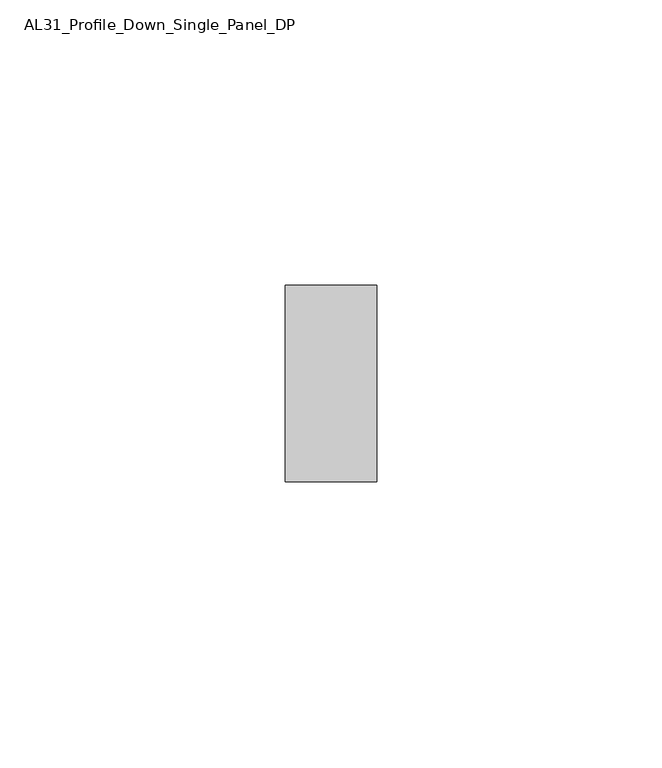
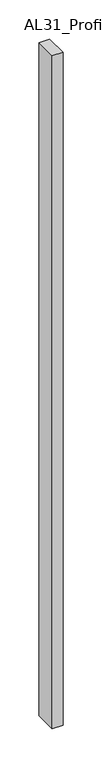
"""IFC4 building model written with IfcOpenShell, lengths in millimetres: member geometry, AL31_Profile_Down_Single_Panel_DP."""

from ifc_helpers import new_model, si_unit, frame, origin, place, context, project, spatial, polyline, outline, extrude, source, transform, mapped, element, save


def al31_profile_down_single_panel_dp_f431d8d2(model_context):
    return source(origin(), model_context, "Body", "SweptSolid", [
        extrude(outline(polyline([(0.0, 37.107), (0.0, 2.607), (-16.0427074, 2.607), (-16.0427074, 37.107), (0.0, 37.107)])), frame((0.0, 0.0, -1053.0), z_axis=(0.0, 0.0, 1.0), x_axis=(1.0, 0.0, 0.0)), (0.0, 0.0, 1.0), 1053.0),
    ])


if __name__ == "__main__":
    model = new_model("IFC4")
    model_context = context("Model", 3, world=origin())
    ifc_project = project(units=[si_unit("LENGTHUNIT", "METRE", prefix="MILLI")], contexts=[model_context])
    site = spatial("IfcSite", under=ifc_project)
    building = spatial("IfcBuilding", under=site)
    placement = place(None, origin())
    al31_profile_down_single_panel_dp_shape = al31_profile_down_single_panel_dp_f431d8d2(model_context)
    element("IfcMember", 1, ObjectType="AL31_Profile_Down_Single_Panel_DP", at=placement, inside=building, context=model_context, shape_type="MappedRepresentation", body=[
        mapped(al31_profile_down_single_panel_dp_shape, transform((0.0, 0.0, 0.0), x_axis=(1.0, 0.0, 0.0), y_axis=(0.0, 1.0, 0.0), z_axis=(0.0, 0.0, 1.0))),
    ])
    save(model, "model.ifc")
